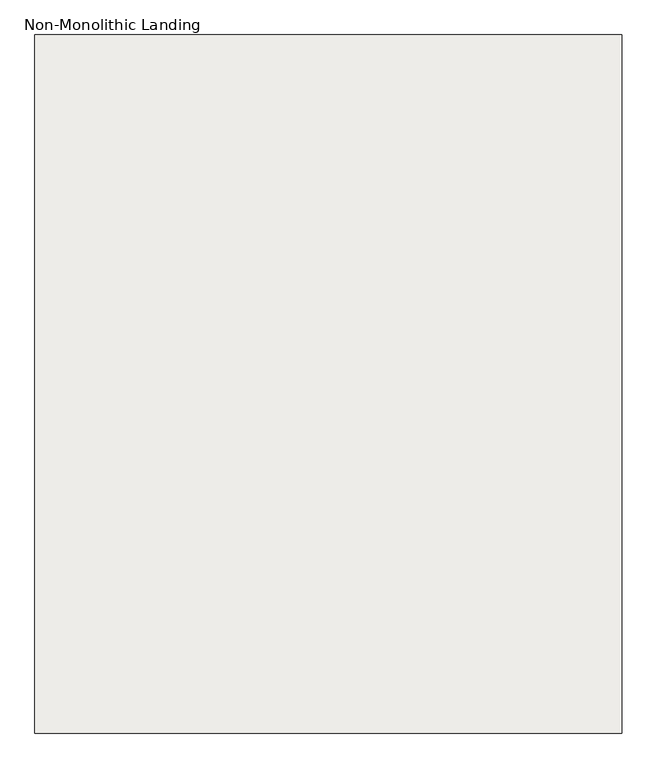
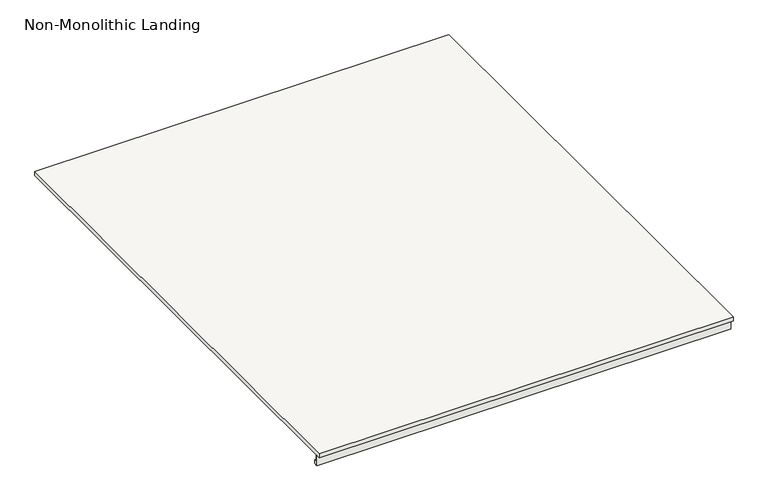
"""IFC4 building model written with IfcOpenShell, lengths in millimetres: slab geometry, Non-Monolithic Landing."""

from ifc_helpers import new_model, si_unit, frame, origin, place, context, project, spatial, polyline, outline, extrude, source, transform, mapped, element, save


def non_monolithic_landing_f6673cee(model_context):
    return source(origin(), model_context, "Body", "SweptSolid", [
        extrude(outline(polyline([(-9238.9832568, 5638.0), (-9238.9832568, 5628.0), (-10415.6889024, 5628.0), (-10415.6889024, 5611.3650264), (-10409.7889347, 5611.3780294), (-10409.7889347, 5602.1193807), (-10418.9832568, 5602.1193807), (-10418.9832568, 5628.0), (-10428.9832568, 5628.0), (-10428.9832568, 5638.0), (-9238.9832568, 5638.0)])), frame((-16322.7515248, 0.0, 0.0), z_axis=(1.0, 0.0, 0.0), x_axis=(0.0, 1.0, 0.0)), (0.0, 0.0, 1.0), 1000.0),
    ])


if __name__ == "__main__":
    model = new_model("IFC4")
    model_context = context("Model", 3, world=origin())
    ifc_project = project(units=[si_unit("LENGTHUNIT", "METRE", prefix="MILLI")], contexts=[model_context])
    site = spatial("IfcSite", under=ifc_project)
    building = spatial("IfcBuilding", under=site)
    placement = place(None, origin())
    non_monolithic_landing_shape = non_monolithic_landing_f6673cee(model_context)
    element("IfcSlab", 1, ObjectType="Non-Monolithic Landing", at=placement, inside=building, context=model_context, shape_type="MappedRepresentation", body=[
        mapped(non_monolithic_landing_shape, transform((0.0, 0.0, 0.0), x_axis=(1.0, 0.0, 0.0), y_axis=(0.0, 1.0, 0.0), z_axis=(0.0, 0.0, 1.0))),
    ])
    save(model, "model.ifc")
